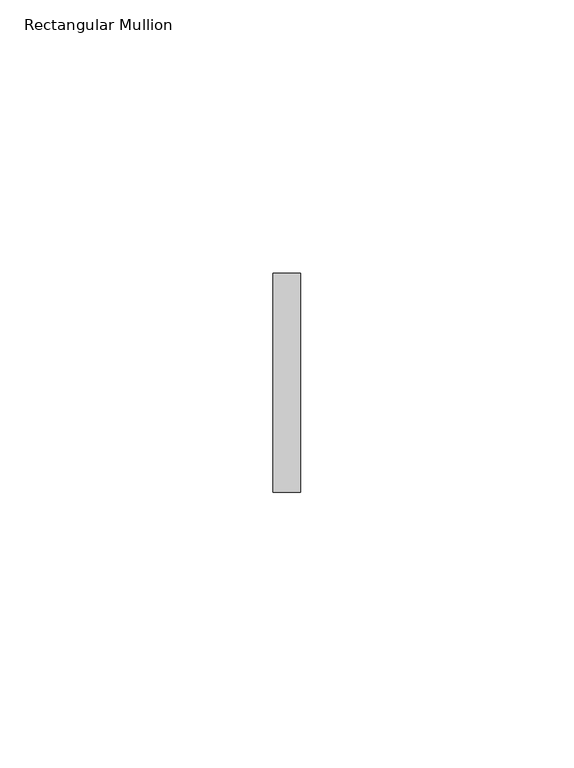
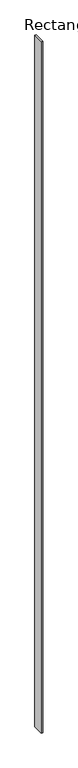
"""IFC4 building model written with IfcOpenShell, lengths in millimetres: member geometry, Rectangular Mullion."""

from ifc_helpers import new_model, si_unit, frame, origin, place, context, project, spatial, polyline, outline, extrude, source, transform, mapped, element, save


def rectangular_mullion_4c9deb68(model_context):
    return source(origin(), model_context, "Body", "SweptSolid", [
        extrude(outline(polyline([(-5.0, 20.0), (0.0, 20.0), (0.0, -20.0), (-5.0, -20.0), (-5.0, 20.0)])), frame((0.0, 0.0, -2658.0), z_axis=(0.0, 0.0, 1.0), x_axis=(1.0, 0.0, 0.0)), (0.0, 0.0, 1.0), 2658.0),
    ])


if __name__ == "__main__":
    model = new_model("IFC4")
    model_context = context("Model", 3, world=origin())
    ifc_project = project(units=[si_unit("LENGTHUNIT", "METRE", prefix="MILLI")], contexts=[model_context])
    site = spatial("IfcSite", under=ifc_project)
    building = spatial("IfcBuilding", under=site)
    placement = place(None, origin())
    rectangular_mullion_shape = rectangular_mullion_4c9deb68(model_context)
    element("IfcMember", 1, ObjectType="Rectangular Mullion", at=placement, inside=building, context=model_context, shape_type="MappedRepresentation", body=[
        mapped(rectangular_mullion_shape, transform((0.0, 0.0, 0.0), x_axis=(1.0, 0.0, 0.0), y_axis=(0.0, 1.0, 0.0), z_axis=(0.0, 0.0, 1.0))),
    ])
    save(model, "model.ifc")
